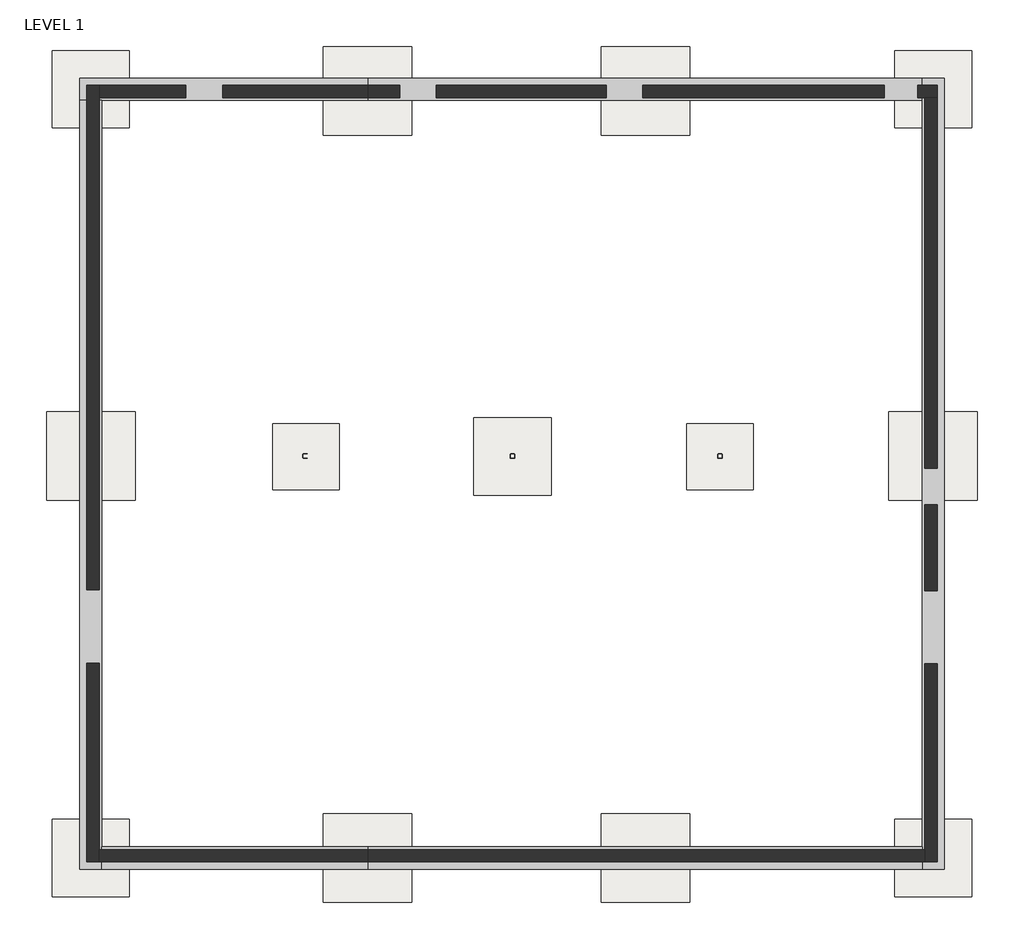
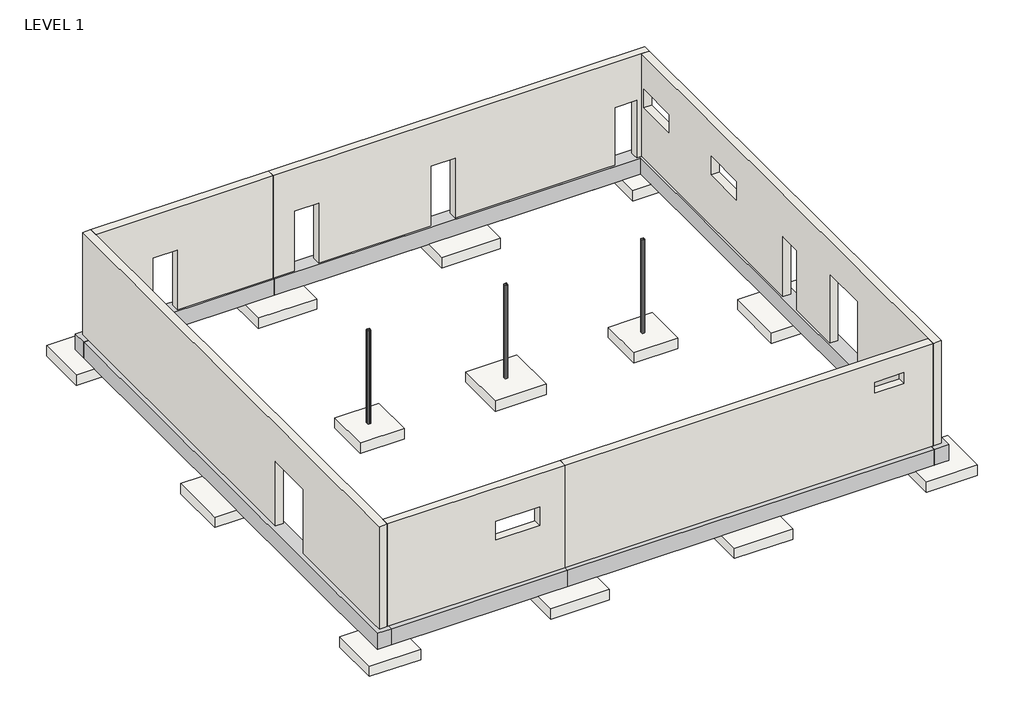
# One storey: 13 slabs, 7 beams, 6 walls, 3 columns.
"""IFC4 building model written with IfcOpenShell, lengths in millimetres."""

import ifcopenshell
import ifcopenshell.guid

model = None  # the IFC model being written
_history = None  # IfcOwnerHistory: only IFC2X3 demands one
_inside = {}  # id of a spatial element -> (the spatial element, [elements in it])
_under = {}  # id of a project, library or spatial element -> (it, [spatial elements below it])
_declared = {}  # id of a project -> (the project, [libraries it declares])
_typed = {}  # id of a type object -> (the type object, [elements of that type])
_made_of = {}  # id of a material, layer set ... -> (it, [elements and type objects made of it])


def new_model(schema):
    """Start an empty IFC model of exactly this schema.

    Asked for "IFC4X3", IfcOpenShell would pick the latest addendum, in which some entities
    have other attributes; the version numbers below select the first issue.
    IFC2X3 requires an IfcOwnerHistory on every rooted entity: one is made here for all.
    """
    global model, _history
    if schema == "IFC4X3":
        model = ifcopenshell.file(schema_version=(4, 3, 0, 0))
    else:
        model = ifcopenshell.file(schema=schema)
    _inside.clear()
    _under.clear()
    _declared.clear()
    _typed.clear()
    _made_of.clear()
    _history = None
    if model.schema == "IFC2X3":
        org = make("IfcOrganization", Name="unknown")
        user = make(
            "IfcPersonAndOrganization",
            ThePerson=make("IfcPerson", FamilyName="unknown"),
            TheOrganization=org,
        )
        app = make(
            "IfcApplication",
            ApplicationDeveloper=org,
            Version="unknown",
            ApplicationFullName="unknown",
            ApplicationIdentifier="unknown",
        )
        _history = make(
            "IfcOwnerHistory",
            OwningUser=user,
            OwningApplication=app,
            ChangeAction="ADDED",
            CreationDate=0,
        )
    return model


def make(cls, **values):
    """One entity of the class cls with the attributes given. An attribute that is None is left unset."""
    return model.create_entity(
        cls, **{name: value for name, value in values.items() if value is not None}
    )


def rooted(cls, **values):
    """An entity with a GlobalId (a new one), such as an element, a storey or a relation."""
    return make(cls, GlobalId=ifcopenshell.guid.new(), OwnerHistory=_history, **values)


def si_unit(unit_type, name, prefix=None):
    """IfcSIUnit, for example si_unit("LENGTHUNIT", "METRE", prefix="MILLI")."""
    return make("IfcSIUnit", UnitType=unit_type, Prefix=prefix, Name=name)


def assignment(units):
    """IfcUnitAssignment: the units of a project."""
    return None if units is None else make("IfcUnitAssignment", Units=units)


def point(xyz):
    """IfcCartesianPoint."""
    return None if xyz is None else make("IfcCartesianPoint", Coordinates=xyz)


def direction(xyz):
    """IfcDirection."""
    return None if xyz is None else make("IfcDirection", DirectionRatios=xyz)


def frame(location, z_axis=None, x_axis=None):
    """IfcAxis2Placement3D, a coordinate frame: its origin and axes. An axis left out is left unset."""
    return make(
        "IfcAxis2Placement3D",
        Location=point(location),
        Axis=direction(z_axis),
        RefDirection=direction(x_axis),
    )


def frame_2d(location, x_axis=None):
    """IfcAxis2Placement2D, a coordinate frame in the plane: its origin and x axis."""
    return make(
        "IfcAxis2Placement2D", Location=point(location), RefDirection=direction(x_axis)
    )


def origin():
    """The frame at (0, 0, 0) with its axes left unset."""
    return frame((0.0, 0.0, 0.0))


def place(relative_to, where):
    """IfcLocalPlacement: puts the frame where relative to a parent placement (None: the world)."""
    return make(
        "IfcLocalPlacement", PlacementRelTo=relative_to, RelativePlacement=where
    )


def context(
    kind, dimensions, precision=None, world=None, true_north=None, identifier=None
):
    """IfcGeometricRepresentationContext, for example the 3D "Model" context."""
    return make(
        "IfcGeometricRepresentationContext",
        ContextIdentifier=identifier,
        ContextType=kind,
        CoordinateSpaceDimension=dimensions,
        Precision=precision,
        WorldCoordinateSystem=world,
        TrueNorth=true_north,
    )


def project(units=None, contexts=None):
    """IfcProject with its units and contexts."""
    return rooted(
        "IfcProject",
        Name="project",
        RepresentationContexts=contexts,
        UnitsInContext=assignment(units),
    )


def spatial(cls, under=None, at=None, **own):
    """A site, building, storey or space (cls), placed at a placement, below another one or the project."""
    s = rooted(cls, ObjectPlacement=at, **own)
    if under is not None:
        _under.setdefault(under.id(), (under, []))[1].append(s)
    return s


def polyline(points):
    """IfcPolyline through the points."""
    return make("IfcPolyline", Points=[point(p) for p in points])


def circle_curve(where, radius):
    """IfcCircle in the frame where."""
    return make("IfcCircle", Position=where, Radius=radius)


def trimmed(basis, trim1, trim2, sense, master):
    """IfcTrimmedCurve: the piece of a basis curve between two trims."""
    return make(
        "IfcTrimmedCurve",
        BasisCurve=basis,
        Trim1=trim1,
        Trim2=trim2,
        SenseAgreement=sense,
        MasterRepresentation=master,
    )


def segment(curve, same_sense, transition):
    """IfcCompositeCurveSegment."""
    return make(
        "IfcCompositeCurveSegment",
        Transition=transition,
        SameSense=same_sense,
        ParentCurve=curve,
    )


def composite_curve(segments, self_intersect=None):
    """IfcCompositeCurve: segments joined end to end."""
    return make("IfcCompositeCurve", Segments=segments, SelfIntersect=self_intersect)


def outline(outer, holes=None, kind="AREA"):
    """IfcArbitraryClosedProfileDef: a profile drawn as a closed curve; with holes, ...WithVoids."""
    if holes is None:
        return make("IfcArbitraryClosedProfileDef", ProfileType=kind, OuterCurve=outer)
    return make(
        "IfcArbitraryProfileDefWithVoids",
        ProfileType=kind,
        OuterCurve=outer,
        InnerCurves=holes,
    )


def extrude(swept, where, along, depth):
    """IfcExtrudedAreaSolid: the profile swept, set in the frame where, extruded along a direction by depth."""
    return make(
        "IfcExtrudedAreaSolid",
        SweptArea=swept,
        Position=where,
        ExtrudedDirection=direction(along),
        Depth=depth,
    )


def faces_of(points, faces, orient=None, outer=None):
    """IfcFace entities. A face is a list of loops; a loop is a list of indices into points, from 0.

    orient and outer hold one flag for each loop. By default every Orientation is true, the
    first loop of a face is its IfcFaceOuterBound and the others are IfcFaceBound.
    """
    made = []
    for i, loops in enumerate(faces):
        bounds = []
        for j, loop in enumerate(loops):
            is_outer = j == 0 if outer is None else outer[i][j]
            bounds.append(
                make(
                    "IfcFaceOuterBound" if is_outer else "IfcFaceBound",
                    Bound=make("IfcPolyLoop", Polygon=[points[k] for k in loop]),
                    Orientation=True if orient is None else orient[i][j],
                )
            )
        made.append(make("IfcFace", Bounds=bounds))
    return made


def faceted_brep(points, faces, orient=None, outer=None, voids=None):
    """IfcFacetedBrep: a solid bounded by flat faces; with voids (closed shells), ...WithVoids."""
    shared = [point(p) for p in points]
    hull = make("IfcClosedShell", CfsFaces=faces_of(shared, faces, orient, outer))
    if voids is None:
        return make("IfcFacetedBrep", Outer=hull)
    return make(
        "IfcFacetedBrepWithVoids",
        Outer=hull,
        Voids=[
            make(cls, CfsFaces=faces_of(shared, fs, o, b)) for cls, fs, o, b in voids
        ],
    )


def shape(context_of_items, identifier, shape_type, items):
    """IfcShapeRepresentation: the items that make up one representation, for example the "Body"."""
    return make(
        "IfcShapeRepresentation",
        ContextOfItems=context_of_items,
        RepresentationIdentifier=identifier,
        RepresentationType=shape_type,
        Items=items,
    )


def source(mapping_origin, context_of_items, identifier, shape_type, items):
    """IfcRepresentationMap: a shape defined once, which mapped items show again and again."""
    return make(
        "IfcRepresentationMap",
        MappingOrigin=mapping_origin,
        MappedRepresentation=shape(context_of_items, identifier, shape_type, items),
    )


def transform(
    local_origin,
    x_axis=None,
    y_axis=None,
    z_axis=None,
    scale=None,
    scale2=None,
    scale3=None,
    uniform=True,
):
    """IfcCartesianTransformationOperator3D, or its non-uniform kind. x_axis, y_axis, z_axis: its Axis1, 2, 3."""
    if uniform:
        return make(
            "IfcCartesianTransformationOperator3D",
            Axis1=direction(x_axis),
            Axis2=direction(y_axis),
            LocalOrigin=point(local_origin),
            Scale=scale,
            Axis3=direction(z_axis),
        )
    return make(
        "IfcCartesianTransformationOperator3DnonUniform",
        Axis1=direction(x_axis),
        Axis2=direction(y_axis),
        LocalOrigin=point(local_origin),
        Scale=scale,
        Axis3=direction(z_axis),
        Scale2=scale2,
        Scale3=scale3,
    )


def mapped(mapping_source, mapping_target):
    """IfcMappedItem: shows the shape of a source again, moved by a transform."""
    return make(
        "IfcMappedItem", MappingSource=mapping_source, MappingTarget=mapping_target
    )


def made_of(thing, what):
    """Note that an element or type object is made of a material, layer set ...; save() writes the relation."""
    if what is not None:
        _made_of.setdefault(what.id(), (what, []))[1].append(thing)
    return thing


def element(
    cls,
    number,
    at=None,
    inside=None,
    cuts=None,
    type_object=None,
    material=None,
    context=None,
    identifier="Body",
    shape_type=None,
    held_by="IfcProductDefinitionShape",
    body=None,
    shapes=None,
    **own,
):
    """One element of the class cls, such as IfcWall. Its Tag is "e" and its number.

    at: its placement. inside: the storey or other place that contains it. cuts: it is an
    opening in that element (IfcRelVoidsElement). A single representation is given by context,
    identifier, shape_type and body (its items); several are given by shapes. held_by: the class
    of the entity that holds the representations. save() writes the other relations.
    """
    e = rooted(cls, Tag="e%d" % number, ObjectPlacement=at, **own)
    if body is not None:
        shapes = [shape(context, identifier, shape_type, body)]
    if shapes is not None:
        e.Representation = make(held_by, Representations=shapes)
    if inside is not None:
        _inside.setdefault(inside.id(), (inside, []))[1].append(e)
    if cuts is not None:
        rooted(
            "IfcRelVoidsElement", RelatingBuildingElement=cuts, RelatedOpeningElement=e
        )
    if type_object is not None:
        _typed.setdefault(type_object.id(), (type_object, []))[1].append(e)
    return made_of(e, material)


def aggregate(whole, parts):
    """IfcRelAggregates: a whole, such as a stair, and the parts it consists of."""
    return rooted("IfcRelAggregates", RelatingObject=whole, RelatedObjects=parts)


def save(model, path):
    """Write the relations noted so far, then the file.

    IfcRelAggregates (storeys below a building ...), IfcRelContainedInSpatialStructure (elements
    in a storey), IfcRelDefinesByType, IfcRelAssociatesMaterial and IfcRelDeclares: one each for
    every whole, place, type object, material and project.
    """
    for whole, parts in _under.values():
        aggregate(whole, parts)
    for where, things in _inside.values():
        rooted(
            "IfcRelContainedInSpatialStructure",
            RelatedElements=things,
            RelatingStructure=where,
        )
    for kind, things in _typed.values():
        rooted("IfcRelDefinesByType", RelatedObjects=things, RelatingType=kind)
    for what, things in _made_of.values():
        rooted("IfcRelAssociatesMaterial", RelatedObjects=things, RelatingMaterial=what)
    for by, libraries in _declared.values():
        rooted("IfcRelDeclares", RelatingContext=by, RelatedDefinitions=libraries)
    model.write(path)


def hss_hollow_structural_section_column_hss5x5x1_2_62f60547(model_context):
    return source(origin(), model_context, "Body", "SweptSolid", [
        extrude(outline(composite_curve([segment(trimmed(circle_curve(frame_2d((39.878, 39.878)), 23.622), [point((39.878, 63.5))], [point((63.5, 39.878))], False, "CARTESIAN"), True, "CONTINUOUS"), segment(polyline([(63.5, 39.878), (63.5, -39.878)]), True, "CONTINUOUS"), segment(trimmed(circle_curve(frame_2d((39.878, -39.878)), 23.622), [point((63.5, -39.878))], [point((39.878, -63.5))], False, "CARTESIAN"), True, "CONTINUOUS"), segment(polyline([(39.878, -63.5), (-39.878, -63.5)]), True, "CONTINUOUS"), segment(trimmed(circle_curve(frame_2d((-39.878, -39.878)), 23.622), [point((-39.878, -63.5))], [point((-63.5, -39.878))], False, "CARTESIAN"), True, "CONTINUOUS"), segment(polyline([(-63.5, -39.878), (-63.5, 39.878)]), True, "CONTINUOUS"), segment(trimmed(circle_curve(frame_2d((-39.878, 39.878)), 23.622), [point((-63.5, 39.878))], [point((-39.878, 63.5))], False, "CARTESIAN"), True, "CONTINUOUS"), segment(polyline([(-39.878, 63.5), (39.878, 63.5)]), True, "CONTINUOUS")], self_intersect=False), holes=[composite_curve([segment(polyline([(39.878, 51.689), (-39.878, 51.689)]), True, "CONTINUOUS"), segment(trimmed(circle_curve(frame_2d((-39.878, 39.878)), 11.811), [point((-39.878, 51.689))], [point((-51.689, 39.878))], True, "CARTESIAN"), True, "CONTINUOUS"), segment(polyline([(-51.689, 39.878), (-51.689, -39.878)]), True, "CONTINUOUS"), segment(trimmed(circle_curve(frame_2d((-39.878, -39.878)), 11.811), [point((-51.689, -39.878))], [point((-39.878, -51.689))], True, "CARTESIAN"), True, "CONTINUOUS"), segment(polyline([(-39.878, -51.689), (39.878, -51.689)]), True, "CONTINUOUS"), segment(trimmed(circle_curve(frame_2d((39.878, -39.878)), 11.811), [point((39.878, -51.689))], [point((51.689, -39.878))], True, "CARTESIAN"), True, "CONTINUOUS"), segment(polyline([(51.689, -39.878), (51.689, 39.878)]), True, "CONTINUOUS"), segment(trimmed(circle_curve(frame_2d((39.878, 39.878)), 11.811), [point((51.689, 39.878))], [point((39.878, 51.689))], True, "CARTESIAN"), True, "CONTINUOUS")], self_intersect=False)]), frame((0.0, 0.0, -203.2), z_axis=(0.0, 0.0, 1.0), x_axis=(1.0, 0.0, 0.0)), (0.0, 0.0, 1.0), 4114.8),
    ])


def footing_rectangular_f60_6d6a3403(model_context):
    return source(origin(), model_context, "Body", "SweptSolid", [
        extrude(outline(polyline([(914.4, 914.4), (914.4, -914.4), (-914.4, -914.4), (-914.4, 914.4), (914.4, 914.4)])), frame((0.0, 0.0, -457.2), z_axis=(0.0, 0.0, 1.0), x_axis=(1.0, 0.0, 0.0)), (0.0, 0.0, 1.0), 457.2),
    ])


model = new_model("IFC4")

# Units and contexts
model_context = context("Model", 3, world=origin())
ifc_project = project(units=[si_unit("LENGTHUNIT", "METRE", prefix="MILLI")], contexts=[model_context])

# Site, building, storey
site = spatial("IfcSite", under=ifc_project)
building = spatial("IfcBuilding", under=site)
storey = spatial("IfcBuildingStorey", under=building, Name="LEVEL 1", Elevation=0.0)

# Beams
placement = place(None, origin())
element("IfcBeam", 1, ObjectType="Concrete-Rectangular Beam : GB-1 24x28", at=placement, inside=storey, context=model_context, shape_type="Brep", body=[
    faceted_brep([(1703.6585596, 7701.1425437, -406.4), (1703.6585596, 7777.3425437, -406.4), (1703.6585596, 8113.8925437, -406.4), (1703.6585596, 8310.7425437, -406.4), (-6230.6664404, 8310.7425437, -406.4), (-6230.6664404, 7701.1425437, -406.4), (-5621.0664404, 7701.1425437, -406.4), (1703.6585596, 7701.1425437, -1117.6), (-6230.6664404, 7701.1425437, -1117.6), (-5621.0664404, 7701.1425437, -1117.6), (1703.6585596, 8310.7425437, -1117.6), (-6230.6664404, 8310.7425437, -1117.6)], [[[0, 1, 2, 3, 4, 5, 6]], [[7, 0, 6, 5, 8, 9]], [[10, 7, 9, 8, 11]], [[3, 10, 11, 4]], [[5, 4, 11, 8]], [[3, 2, 1, 0, 7, 10]]]),
])
element("IfcBeam", 2, ObjectType="Concrete-Rectangular Beam : GB-1 24x28", at=placement, inside=storey, context=model_context, shape_type="Brep", body=[
    faceted_brep([(-6230.6664404, -13482.4574563, -406.4), (-5621.0664404, -13482.4574563, -406.4), (-5621.0664404, -12872.8574563, -406.4), (-5621.0664404, 7701.1425437, -406.4), (-6230.6664404, 7701.1425437, -406.4), (-6230.6664404, -13482.4574563, -1117.6), (-6230.6664404, 7701.1425437, -1117.6), (-5621.0664404, -13482.4574563, -1117.6), (-5621.0664404, 7701.1425437, -1117.6), (-5621.0664404, -12872.8574563, -1117.6)], [[[0, 1, 2, 3, 4]], [[5, 0, 4, 6]], [[7, 5, 6, 8, 9]], [[1, 7, 9, 8, 3, 2]], [[4, 3, 8, 6]], [[1, 0, 5, 7]]]),
])
element("IfcBeam", 3, ObjectType="Concrete-Rectangular Beam : GB-1 24x28", at=placement, inside=storey, context=model_context, shape_type="Brep", body=[
    faceted_brep([(1703.6585596, -13482.4574563, -406.4), (1703.6585596, -13285.6074563, -406.4), (1703.6585596, -12949.0574563, -406.4), (1703.6585596, -12872.8574563, -406.4), (-5621.0664404, -12872.8574563, -406.4), (-5621.0664404, -13482.4574563, -406.4), (1703.6585596, -13482.4574563, -1117.6), (-5621.0664404, -13482.4574563, -1117.6), (1703.6585596, -12872.8574563, -1117.6), (-5621.0664404, -12872.8574563, -1117.6)], [[[0, 1, 2, 3, 4, 5]], [[6, 0, 5, 7]], [[8, 6, 7, 9]], [[3, 8, 9, 4]], [[5, 4, 9, 7]], [[3, 2, 1, 0, 6, 8]]]),
])
element("IfcBeam", 4, ObjectType="Concrete-Rectangular Beam : GB-1 24x28", at=placement, inside=storey, context=model_context, shape_type="Brep", body=[
    faceted_brep([(16984.9335596, -13482.4574563, -406.4), (17594.5335596, -13482.4574563, -406.4), (17594.5335596, 8310.7425437, -406.4), (16984.9335596, 8310.7425437, -406.4), (16984.9335596, 7701.1425437, -406.4), (16984.9335596, -12872.8574563, -406.4), (17594.5335596, -13482.4574563, -1117.6), (17594.5335596, 8310.7425437, -1117.6), (16984.9335596, -13482.4574563, -1117.6), (16984.9335596, -12872.8574563, -1117.6), (16984.9335596, 7701.1425437, -1117.6), (16984.9335596, 8310.7425437, -1117.6)], [[[0, 1, 2, 3, 4, 5]], [[1, 6, 7, 2]], [[6, 8, 9, 10, 11, 7]], [[8, 0, 5, 4, 3, 11, 10, 9]], [[1, 0, 8, 6]], [[3, 2, 7, 11]]]),
])
element("IfcBeam", 5, ObjectType="Concrete-Rectangular Beam : GB-1 24x28", at=placement, inside=storey, context=model_context, shape_type="Brep", body=[
    faceted_brep([(1703.6585596, -12872.8574563, -406.4), (1703.6585596, -12949.0574563, -406.4), (1703.6585596, -13285.6074563, -406.4), (1703.6585596, -13482.4574563, -406.4), (16984.9335596, -13482.4574563, -406.4), (16984.9335596, -12872.8574563, -406.4), (1703.6585596, -13482.4574563, -1117.6), (16984.9335596, -13482.4574563, -1117.6), (1703.6585596, -12872.8574563, -1117.6), (16984.9335596, -12872.8574563, -1117.6)], [[[0, 1, 2, 3, 4, 5]], [[3, 6, 7, 4]], [[6, 8, 9, 7]], [[8, 0, 5, 9]], [[0, 8, 6, 3, 2, 1]], [[5, 4, 7, 9]]]),
])
element("IfcBeam", 6, ObjectType="Concrete-Rectangular Beam : GB-1 24x28", at=placement, inside=storey, context=model_context, shape_type="Brep", body=[
    faceted_brep([(1703.6585596, 8310.7425437, -406.4), (1703.6585596, 8113.8925437, -406.4), (1703.6585596, 7777.3425437, -406.4), (1703.6585596, 7701.1425437, -406.4), (16984.9335596, 7701.1425437, -406.4), (16984.9335596, 8310.7425437, -406.4), (1703.6585596, 7701.1425437, -1117.6), (16984.9335596, 7701.1425437, -1117.6), (1703.6585596, 8310.7425437, -1117.6), (16984.9335596, 8310.7425437, -1117.6)], [[[0, 1, 2, 3, 4, 5]], [[3, 6, 7, 4]], [[6, 8, 9, 7]], [[8, 0, 5, 9]], [[0, 8, 6, 3, 2, 1]], [[5, 4, 7, 9]]]),
])
element("IfcBeam", 7, ObjectType="Concrete-Rectangular Beam : GB-1 24x28", at=placement, inside=storey, context=model_context, shape_type="Brep", body=[
    faceted_brep([(16797.8721699, 8310.7425437, -406.4), (16797.8721699, 7701.1425437, -406.4), (16797.8721699, 7701.1425437, -1117.6), (16797.8721699, 8310.7425437, -1117.6), (1703.6585596, 8310.7425437, -406.4), (1703.6585596, 8113.8925437, -406.4), (1703.6585596, 7777.3425437, -406.4), (1703.6585596, 7701.1425437, -406.4), (1703.6585596, 7701.1425437, -1117.6), (1703.6585596, 8310.7425437, -1117.6)], [[[0, 1, 2, 3]], [[1, 0, 4, 5, 6, 7]], [[2, 1, 7, 8]], [[3, 2, 8, 9]], [[0, 3, 9, 4]], [[7, 6, 5, 4, 9, 8]]]),
])

# Columns
hss_hollow_structural_section_column_hss5x5x1_2_shape = hss_hollow_structural_section_column_hss5x5x1_2_62f60547(model_context)
element("IfcColumn", 8, ObjectType="HSS-Hollow Structural Section-Column : HSS5X5X1/2", at=placement, inside=storey, context=model_context, shape_type="MappedRepresentation", body=[
    mapped(hss_hollow_structural_section_column_hss5x5x1_2_shape, transform((5697.8085596, -2103.2574563, 0.0), x_axis=(1.0, 0.0, 0.0), y_axis=(0.0, 1.0, 0.0), z_axis=(0.0, 0.0, 1.0))),
])
element("IfcColumn", 9, ObjectType="HSS-Hollow Structural Section-Column : HSS5X5X1/2", at=placement, inside=storey, context=model_context, shape_type="MappedRepresentation", body=[
    mapped(hss_hollow_structural_section_column_hss5x5x1_2_shape, transform((11412.8085596, -2103.2574563, 0.0), x_axis=(1.0, 0.0, 0.0), y_axis=(0.0, 1.0, 0.0), z_axis=(0.0, 0.0, 1.0))),
])
element("IfcColumn", 10, ObjectType="HSS-Hollow Structural Section-Column : HSS5X5X1/2", at=placement, inside=storey, context=model_context, shape_type="MappedRepresentation", body=[
    mapped(hss_hollow_structural_section_column_hss5x5x1_2_shape, transform((-17.1914404, -2103.2574563, 0.0), x_axis=(1.0, 0.0, 0.0), y_axis=(0.0, 1.0, 0.0), z_axis=(0.0, 0.0, 1.0))),
])

# Slabs
footing_rectangular_f60_shape = footing_rectangular_f60_6d6a3403(model_context)
element("IfcSlab", 11, ObjectType="Footing-Rectangular : F60", at=placement, inside=storey, context=model_context, shape_type="MappedRepresentation", body=[
    mapped(footing_rectangular_f60_shape, transform((11412.8085596, -2119.1324563, -203.2), x_axis=(1.0, 0.0, 0.0), y_axis=(0.0, 1.0, 0.0), z_axis=(0.0, 0.0, 1.0))),
])
element("IfcSlab", 12, ObjectType="Footing-Rectangular : F60", at=placement, inside=storey, context=model_context, shape_type="MappedRepresentation", body=[
    mapped(footing_rectangular_f60_shape, transform((8.2085596, -2119.1324563, -203.2), x_axis=(1.0, 0.0, 0.0), y_axis=(0.0, 1.0, 0.0), z_axis=(0.0, 0.0, 1.0))),
])
element("IfcSlab", 13, ObjectType="Footing-Rectangular : F70", at=placement, inside=storey, context=model_context, shape_type="SweptSolid", body=[
    extrude(outline(polyline([(-4859.0664404, 9072.7425437), (-4859.0664404, 6939.1425437), (-6992.6664404, 6939.1425437), (-6992.6664404, 9072.7425437), (-4859.0664404, 9072.7425437)])), frame((0.0, 0.0, -1574.8), z_axis=(0.0, 0.0, 1.0), x_axis=(1.0, 0.0, 0.0)), (0.0, 0.0, 1.0), 457.2),
])
element("IfcSlab", 14, ObjectType="Footing-Rectangular : F70", at=placement, inside=storey, context=model_context, shape_type="SweptSolid", body=[
    extrude(outline(polyline([(6764.6085596, -1052.3324563), (6764.6085596, -3185.9324563), (4631.0085596, -3185.9324563), (4631.0085596, -1052.3324563), (6764.6085596, -1052.3324563)])), frame((0.0, 0.0, -660.4), z_axis=(0.0, 0.0, 1.0), x_axis=(1.0, 0.0, 0.0)), (0.0, 0.0, 1.0), 457.2),
])
element("IfcSlab", 15, ObjectType="Footing-Rectangular : F70", at=placement, inside=storey, context=model_context, shape_type="SweptSolid", body=[
    extrude(outline(polyline([(-4859.0664404, -12110.8574563), (-4859.0664404, -14244.4574563), (-6992.6664404, -14244.4574563), (-6992.6664404, -12110.8574563), (-4859.0664404, -12110.8574563)])), frame((0.0, 0.0, -1574.8), z_axis=(0.0, 0.0, 1.0), x_axis=(1.0, 0.0, 0.0)), (0.0, 0.0, 1.0), 457.2),
])
element("IfcSlab", 16, ObjectType="Footing-Rectangular : F70", at=placement, inside=storey, context=model_context, shape_type="SweptSolid", body=[
    extrude(outline(polyline([(18356.5335596, 9072.7425437), (18356.5335596, 6939.1425437), (16222.9335596, 6939.1425437), (16222.9335596, 9072.7425437), (18356.5335596, 9072.7425437)])), frame((0.0, 0.0, -1574.8), z_axis=(0.0, 0.0, 1.0), x_axis=(1.0, 0.0, 0.0)), (0.0, 0.0, 1.0), 457.2),
])
element("IfcSlab", 17, ObjectType="Footing-Rectangular : F70", at=placement, inside=storey, context=model_context, shape_type="SweptSolid", body=[
    extrude(outline(polyline([(18356.5335596, -12110.8574563), (18356.5335596, -14244.4574563), (16222.9335596, -14244.4574563), (16222.9335596, -12110.8574563), (18356.5335596, -12110.8574563)])), frame((0.0, 0.0, -1574.8), z_axis=(0.0, 0.0, 1.0), x_axis=(1.0, 0.0, 0.0)), (0.0, 0.0, 1.0), 457.2),
])
element("IfcSlab", 18, ObjectType="Footing-Rectangular : F80", at=placement, inside=storey, context=model_context, shape_type="SweptSolid", body=[
    extrude(outline(polyline([(10574.6085596, 9183.8675437), (10574.6085596, 6745.4675437), (8136.2085596, 6745.4675437), (8136.2085596, 9183.8675437), (10574.6085596, 9183.8675437)])), frame((0.0, 0.0, -1574.8), z_axis=(0.0, 0.0, 1.0), x_axis=(1.0, 0.0, 0.0)), (0.0, 0.0, 1.0), 457.2),
])
element("IfcSlab", 19, ObjectType="Footing-Rectangular : F80", at=placement, inside=storey, context=model_context, shape_type="SweptSolid", body=[
    extrude(outline(polyline([(-4706.6664404, -884.0574563), (-4706.6664404, -3322.4574563), (-7145.0664404, -3322.4574563), (-7145.0664404, -884.0574563), (-4706.6664404, -884.0574563)])), frame((0.0, 0.0, -1574.8), z_axis=(0.0, 0.0, 1.0), x_axis=(1.0, 0.0, 0.0)), (0.0, 0.0, 1.0), 457.2),
])
element("IfcSlab", 20, ObjectType="Footing-Rectangular : F80", at=placement, inside=storey, context=model_context, shape_type="SweptSolid", body=[
    extrude(outline(polyline([(2922.8585596, 9183.8675437), (2922.8585596, 6745.4675437), (484.4585596, 6745.4675437), (484.4585596, 9183.8675437), (2922.8585596, 9183.8675437)])), frame((0.0, 0.0, -1574.8), z_axis=(0.0, 0.0, 1.0), x_axis=(1.0, 0.0, 0.0)), (0.0, 0.0, 1.0), 457.2),
])
element("IfcSlab", 21, ObjectType="Footing-Rectangular : F80", at=placement, inside=storey, context=model_context, shape_type="SweptSolid", body=[
    extrude(outline(polyline([(10574.6085596, -11958.4574563), (10574.6085596, -14396.8574563), (8136.2085596, -14396.8574563), (8136.2085596, -11958.4574563), (10574.6085596, -11958.4574563)])), frame((0.0, 0.0, -1574.8), z_axis=(0.0, 0.0, 1.0), x_axis=(1.0, 0.0, 0.0)), (0.0, 0.0, 1.0), 457.2),
])
element("IfcSlab", 22, ObjectType="Footing-Rectangular : F80", at=placement, inside=storey, context=model_context, shape_type="SweptSolid", body=[
    extrude(outline(polyline([(2922.8585596, -11958.4574563), (2922.8585596, -14396.8574563), (484.4585596, -14396.8574563), (484.4585596, -11958.4574563), (2922.8585596, -11958.4574563)])), frame((0.0, 0.0, -1574.8), z_axis=(0.0, 0.0, 1.0), x_axis=(1.0, 0.0, 0.0)), (0.0, 0.0, 1.0), 457.2),
])
element("IfcSlab", 23, ObjectType="Footing-Rectangular : F80", at=placement, inside=storey, context=model_context, shape_type="SweptSolid", body=[
    extrude(outline(polyline([(18508.9335596, -884.0574563), (18508.9335596, -3322.4574563), (16070.5335596, -3322.4574563), (16070.5335596, -884.0574563), (18508.9335596, -884.0574563)])), frame((0.0, 0.0, -1574.8), z_axis=(0.0, 0.0, 1.0), x_axis=(1.0, 0.0, 0.0)), (0.0, 0.0, 1.0), 457.2),
])

# Walls
element("IfcWall", 24, ObjectType="ICF - 8\" Concrete", at=placement, inside=storey, context=model_context, shape_type="Brep", body=[
    faceted_brep([(-5697.2664404, 8113.8925437, 4114.8), (-5697.2664404, 7777.3425437, 4114.8), (-5697.2664404, -12949.0574563, 4114.8), (-5697.2664404, -13285.6074563, 4114.8), (-5697.2664404, -13285.6074563, -406.4), (-5697.2664404, -12949.0574563, -406.4), (-5697.2664404, -7818.2574563, -406.4), (-5697.2664404, -7818.2574563, 2438.4), (-5697.2664404, -5786.2574563, 2438.4), (-5697.2664404, -5786.2574563, -406.4), (-5697.2664404, 7777.3425437, -406.4), (-5697.2664404, 8113.8925437, -406.4), (-6033.8164404, 8113.8925437, 4114.8), (-6033.8164404, 8113.8925437, -406.4), (-6033.8164404, -5786.2574563, -406.4), (-6033.8164404, -5786.2574563, 2438.4), (-6033.8164404, -7818.2574563, 2438.4), (-6033.8164404, -7818.2574563, -406.4), (-6033.8164404, -13285.6074563, -406.4), (-6033.8164404, -13285.6074563, 4114.8)], [[[0, 1, 2, 3, 4, 5, 6, 7, 8, 9, 10, 11]], [[12, 13, 14, 15, 16, 17, 18, 19]], [[3, 2, 1, 0, 12, 19]], [[11, 10, 9, 14, 13]], [[8, 7, 16, 15]], [[9, 8, 15, 14]], [[7, 6, 17, 16]], [[0, 11, 13, 12]], [[6, 5, 4, 18, 17]], [[4, 3, 19, 18]]]),
])
element("IfcWall", 25, ObjectType="ICF - 8\" Concrete", at=placement, inside=storey, context=model_context, shape_type="SweptSolid", body=[
    extrude(outline(polyline([(-406.4, -5697.2664404), (-406.4, -3309.6664404), (2235.2, -3309.6664404), (2235.2, -2293.6664404), (-406.4, -2293.6664404), (-406.4, 1703.6585596), (4114.8, 1703.6585596), (4114.8, -5697.2664404), (-406.4, -5697.2664404)])), frame((0.0, 7777.3425437, 0.0), z_axis=(0.0, 1.0, 0.0), x_axis=(0.0, 0.0, 1.0)), (0.0, 0.0, 1.0), 336.55),
])
element("IfcWall", 26, ObjectType="ICF - 8\" Concrete", at=placement, inside=storey, context=model_context, shape_type="Brep", body=[
    faceted_brep([(17061.1335596, 7777.3425437, -406.4), (17061.1335596, -2433.4574563, -406.4), (17061.1335596, -2433.4574563, 2235.2), (17061.1335596, -3449.4574563, 2235.2), (17061.1335596, -3449.4574563, -406.4), (17061.1335596, -5818.0074563, -406.4), (17061.1335596, -5818.0074563, 2641.6), (17061.1335596, -7827.7824563, 2641.6), (17061.1335596, -7827.7824563, -406.4), (17061.1335596, -12949.0574563, -406.4), (17061.1335596, -13285.6074563, -406.4), (17061.1335596, -13285.6074563, 4114.8), (17061.1335596, -12949.0574563, 4114.8), (17061.1335596, 7777.3425437, 4114.8), (17061.1335596, 2748.1425437, 2641.6), (17061.1335596, 919.3425437, 2641.6), (17061.1335596, 919.3425437, 1828.8), (17061.1335596, 2748.1425437, 1828.8), (17061.1335596, 7624.9425437, 2641.6), (17061.1335596, 5796.1425437, 2641.6), (17061.1335596, 5796.1425437, 1828.8), (17061.1335596, 7624.9425437, 1828.8), (17397.6835596, 7777.3425437, -406.4), (17397.6835596, 7777.3425437, 4114.8), (17397.6835596, -13285.6074563, 4114.8), (17397.6835596, -13285.6074563, -406.4), (17397.6835596, -7827.7824563, -406.4), (17397.6835596, -7827.7824563, 2641.6), (17397.6835596, -5818.0074563, 2641.6), (17397.6835596, -5818.0074563, -406.4), (17397.6835596, -3449.4574563, -406.4), (17397.6835596, -3449.4574563, 2235.2), (17397.6835596, -2433.4574563, 2235.2), (17397.6835596, -2433.4574563, -406.4), (17397.6835596, 2748.1425437, 2641.6), (17397.6835596, 2748.1425437, 1828.8), (17397.6835596, 919.3425437, 1828.8), (17397.6835596, 919.3425437, 2641.6), (17397.6835596, 7624.9425437, 2641.6), (17397.6835596, 7624.9425437, 1828.8), (17397.6835596, 5796.1425437, 1828.8), (17397.6835596, 5796.1425437, 2641.6)], [[[0, 1, 2, 3, 4, 5, 6, 7, 8, 9, 10, 11, 12, 13], [14, 15, 16, 17], [18, 19, 20, 21]], [[22, 23, 24, 25, 26, 27, 28, 29, 30, 31, 32, 33], [34, 35, 36, 37], [38, 39, 40, 41]], [[0, 13, 23, 22]], [[11, 10, 25, 24]], [[1, 0, 22, 33]], [[13, 12, 11, 24, 23]], [[6, 5, 29, 28]], [[7, 6, 28, 27]], [[8, 7, 27, 26]], [[10, 9, 8, 26, 25]], [[3, 2, 32, 31]], [[4, 3, 31, 30]], [[2, 1, 33, 32]], [[15, 14, 34, 37]], [[16, 15, 37, 36]], [[17, 16, 36, 35]], [[14, 17, 35, 34]], [[19, 18, 38, 41]], [[20, 19, 41, 40]], [[21, 20, 40, 39]], [[18, 21, 39, 38]], [[5, 4, 30, 29]]]),
])
element("IfcWall", 27, ObjectType="ICF - 8\" Concrete", at=placement, inside=storey, context=model_context, shape_type="SweptSolid", body=[
    extrude(outline(polyline([(-406.4, 17061.1335596), (4114.8, 17061.1335596), (4114.8, 1703.6585596), (-406.4, 1703.6585596), (-406.4, 17061.1335596)]), holes=[polyline([(3251.0857, 15841.9335596), (2775.1786, 15841.9335596), (2775.1786, 14622.7335596), (3251.0857, 14622.7335596), (3251.0857, 15841.9335596)])]), frame((0.0, -13285.6074563, 0.0), z_axis=(0.0, 1.0, 0.0), x_axis=(0.0, 0.0, 1.0)), (0.0, 0.0, 1.0), 336.55),
])
element("IfcWall", 28, ObjectType="ICF - 8\" Concrete", at=placement, inside=storey, context=model_context, shape_type="SweptSolid", body=[
    extrude(outline(polyline([(-406.4, 1703.6585596), (4114.8, 1703.6585596), (4114.8, -5697.2664404), (-406.4, -5697.2664404), (-406.4, 1703.6585596)]), holes=[polyline([(2641.6, 652.7335596), (1828.8, 652.7335596), (1828.8, -1176.0664404), (2641.6, -1176.0664404), (2641.6, 652.7335596)])]), frame((0.0, -13285.6074563, 0.0), z_axis=(0.0, 1.0, 0.0), x_axis=(0.0, 0.0, 1.0)), (0.0, 0.0, 1.0), 336.55),
])
element("IfcWall", 29, ObjectType="ICF - 8\" Concrete", at=placement, inside=storey, context=model_context, shape_type="Brep", body=[
    faceted_brep([(1703.6585596, 7777.3425437, -406.4), (2583.1335596, 7777.3425437, -406.4), (2583.1335596, 7777.3425437, 2235.2), (3599.1335596, 7777.3425437, 2235.2), (3599.1335596, 7777.3425437, -406.4), (8272.7335596, 7777.3425437, -406.4), (8272.7335596, 7777.3425437, 2235.2), (9288.7335596, 7777.3425437, 2235.2), (9288.7335596, 7777.3425437, -406.4), (15943.5335596, 7777.3425437, -406.4), (15943.5335596, 7777.3425437, 2133.6), (16857.9335596, 7777.3425437, 2133.6), (16857.9335596, 7777.3425437, -406.4), (17061.1335596, 7777.3425437, -406.4), (17397.6835596, 7777.3425437, -406.4), (17397.6835596, 7777.3425437, 4114.8), (17061.1335596, 7777.3425437, 4114.8), (1703.6585596, 7777.3425437, 4114.8), (1703.6585596, 8113.8925437, -406.4), (1703.6585596, 8113.8925437, 4114.8), (17397.6835596, 8113.8925437, 4114.8), (17397.6835596, 8113.8925437, -406.4), (16857.9335596, 8113.8925437, -406.4), (16857.9335596, 8113.8925437, 2133.6), (15943.5335596, 8113.8925437, 2133.6), (15943.5335596, 8113.8925437, -406.4), (9288.7335596, 8113.8925437, -406.4), (9288.7335596, 8113.8925437, 2235.2), (8272.7335596, 8113.8925437, 2235.2), (8272.7335596, 8113.8925437, -406.4), (3599.1335596, 8113.8925437, -406.4), (3599.1335596, 8113.8925437, 2235.2), (2583.1335596, 8113.8925437, 2235.2), (2583.1335596, 8113.8925437, -406.4)], [[[0, 1, 2, 3, 4, 5, 6, 7, 8, 9, 10, 11, 12, 13, 14, 15, 16, 17]], [[18, 19, 20, 21, 22, 23, 24, 25, 26, 27, 28, 29, 30, 31, 32, 33]], [[15, 14, 21, 20]], [[17, 16, 15, 20, 19]], [[0, 17, 19, 18]], [[3, 2, 32, 31]], [[4, 3, 31, 30]], [[2, 1, 33, 32]], [[7, 6, 28, 27]], [[8, 7, 27, 26]], [[6, 5, 29, 28]], [[11, 10, 24, 23]], [[12, 11, 23, 22]], [[10, 9, 25, 24]], [[1, 0, 18, 33]], [[5, 4, 30, 29]], [[9, 8, 26, 25]], [[14, 13, 12, 22, 21]]]),
])

save(model, "model.ifc")
